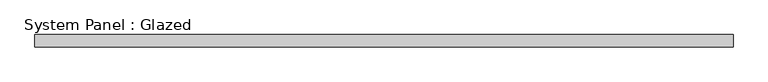
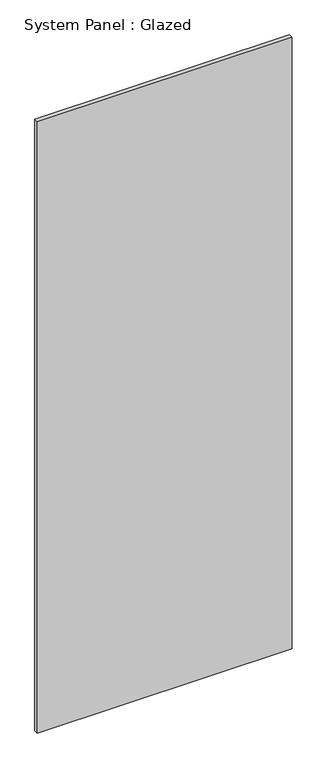
"""IFC4 building model written with IfcOpenShell, lengths in millimetres: plate geometry, System Panel : Glazed."""

import ifcopenshell
import ifcopenshell.guid

model = None  # the IFC model being written
_history = None  # IfcOwnerHistory: only IFC2X3 demands one
_inside = {}  # id of a spatial element -> (the spatial element, [elements in it])
_under = {}  # id of a project, library or spatial element -> (it, [spatial elements below it])
_declared = {}  # id of a project -> (the project, [libraries it declares])
_typed = {}  # id of a type object -> (the type object, [elements of that type])
_made_of = {}  # id of a material, layer set ... -> (it, [elements and type objects made of it])


def new_model(schema):
    """Start an empty IFC model of exactly this schema.

    Asked for "IFC4X3", IfcOpenShell would pick the latest addendum, in which some entities
    have other attributes; the version numbers below select the first issue.
    IFC2X3 requires an IfcOwnerHistory on every rooted entity: one is made here for all.
    """
    global model, _history
    if schema == "IFC4X3":
        model = ifcopenshell.file(schema_version=(4, 3, 0, 0))
    else:
        model = ifcopenshell.file(schema=schema)
    _inside.clear()
    _under.clear()
    _declared.clear()
    _typed.clear()
    _made_of.clear()
    _history = None
    if model.schema == "IFC2X3":
        org = make("IfcOrganization", Name="unknown")
        user = make(
            "IfcPersonAndOrganization",
            ThePerson=make("IfcPerson", FamilyName="unknown"),
            TheOrganization=org,
        )
        app = make(
            "IfcApplication",
            ApplicationDeveloper=org,
            Version="unknown",
            ApplicationFullName="unknown",
            ApplicationIdentifier="unknown",
        )
        _history = make(
            "IfcOwnerHistory",
            OwningUser=user,
            OwningApplication=app,
            ChangeAction="ADDED",
            CreationDate=0,
        )
    return model


def make(cls, **values):
    """One entity of the class cls with the attributes given. An attribute that is None is left unset."""
    return model.create_entity(
        cls, **{name: value for name, value in values.items() if value is not None}
    )


def rooted(cls, **values):
    """An entity with a GlobalId (a new one), such as an element, a storey or a relation."""
    return make(cls, GlobalId=ifcopenshell.guid.new(), OwnerHistory=_history, **values)


def si_unit(unit_type, name, prefix=None):
    """IfcSIUnit, for example si_unit("LENGTHUNIT", "METRE", prefix="MILLI")."""
    return make("IfcSIUnit", UnitType=unit_type, Prefix=prefix, Name=name)


def assignment(units):
    """IfcUnitAssignment: the units of a project."""
    return None if units is None else make("IfcUnitAssignment", Units=units)


def point(xyz):
    """IfcCartesianPoint."""
    return None if xyz is None else make("IfcCartesianPoint", Coordinates=xyz)


def direction(xyz):
    """IfcDirection."""
    return None if xyz is None else make("IfcDirection", DirectionRatios=xyz)


def frame(location, z_axis=None, x_axis=None):
    """IfcAxis2Placement3D, a coordinate frame: its origin and axes. An axis left out is left unset."""
    return make(
        "IfcAxis2Placement3D",
        Location=point(location),
        Axis=direction(z_axis),
        RefDirection=direction(x_axis),
    )


def origin():
    """The frame at (0, 0, 0) with its axes left unset."""
    return frame((0.0, 0.0, 0.0))


def origin_with_axes():
    """The frame at (0, 0, 0) with the z axis (0, 0, 1) and the x axis (1, 0, 0) written out."""
    return frame((0.0, 0.0, 0.0), z_axis=(0.0, 0.0, 1.0), x_axis=(1.0, 0.0, 0.0))


def place(relative_to, where):
    """IfcLocalPlacement: puts the frame where relative to a parent placement (None: the world)."""
    return make(
        "IfcLocalPlacement", PlacementRelTo=relative_to, RelativePlacement=where
    )


def context(
    kind, dimensions, precision=None, world=None, true_north=None, identifier=None
):
    """IfcGeometricRepresentationContext, for example the 3D "Model" context."""
    return make(
        "IfcGeometricRepresentationContext",
        ContextIdentifier=identifier,
        ContextType=kind,
        CoordinateSpaceDimension=dimensions,
        Precision=precision,
        WorldCoordinateSystem=world,
        TrueNorth=true_north,
    )


def project(units=None, contexts=None):
    """IfcProject with its units and contexts."""
    return rooted(
        "IfcProject",
        Name="project",
        RepresentationContexts=contexts,
        UnitsInContext=assignment(units),
    )


def spatial(cls, under=None, at=None, **own):
    """A site, building, storey or space (cls), placed at a placement, below another one or the project."""
    s = rooted(cls, ObjectPlacement=at, **own)
    if under is not None:
        _under.setdefault(under.id(), (under, []))[1].append(s)
    return s


def polyline(points):
    """IfcPolyline through the points."""
    return make("IfcPolyline", Points=[point(p) for p in points])


def outline(outer, holes=None, kind="AREA"):
    """IfcArbitraryClosedProfileDef: a profile drawn as a closed curve; with holes, ...WithVoids."""
    if holes is None:
        return make("IfcArbitraryClosedProfileDef", ProfileType=kind, OuterCurve=outer)
    return make(
        "IfcArbitraryProfileDefWithVoids",
        ProfileType=kind,
        OuterCurve=outer,
        InnerCurves=holes,
    )


def extrude(swept, where, along, depth):
    """IfcExtrudedAreaSolid: the profile swept, set in the frame where, extruded along a direction by depth."""
    return make(
        "IfcExtrudedAreaSolid",
        SweptArea=swept,
        Position=where,
        ExtrudedDirection=direction(along),
        Depth=depth,
    )


def shape(context_of_items, identifier, shape_type, items):
    """IfcShapeRepresentation: the items that make up one representation, for example the "Body"."""
    return make(
        "IfcShapeRepresentation",
        ContextOfItems=context_of_items,
        RepresentationIdentifier=identifier,
        RepresentationType=shape_type,
        Items=items,
    )


def source(mapping_origin, context_of_items, identifier, shape_type, items):
    """IfcRepresentationMap: a shape defined once, which mapped items show again and again."""
    return make(
        "IfcRepresentationMap",
        MappingOrigin=mapping_origin,
        MappedRepresentation=shape(context_of_items, identifier, shape_type, items),
    )


def transform(
    local_origin,
    x_axis=None,
    y_axis=None,
    z_axis=None,
    scale=None,
    scale2=None,
    scale3=None,
    uniform=True,
):
    """IfcCartesianTransformationOperator3D, or its non-uniform kind. x_axis, y_axis, z_axis: its Axis1, 2, 3."""
    if uniform:
        return make(
            "IfcCartesianTransformationOperator3D",
            Axis1=direction(x_axis),
            Axis2=direction(y_axis),
            LocalOrigin=point(local_origin),
            Scale=scale,
            Axis3=direction(z_axis),
        )
    return make(
        "IfcCartesianTransformationOperator3DnonUniform",
        Axis1=direction(x_axis),
        Axis2=direction(y_axis),
        LocalOrigin=point(local_origin),
        Scale=scale,
        Axis3=direction(z_axis),
        Scale2=scale2,
        Scale3=scale3,
    )


def mapped(mapping_source, mapping_target):
    """IfcMappedItem: shows the shape of a source again, moved by a transform."""
    return make(
        "IfcMappedItem", MappingSource=mapping_source, MappingTarget=mapping_target
    )


def made_of(thing, what):
    """Note that an element or type object is made of a material, layer set ...; save() writes the relation."""
    if what is not None:
        _made_of.setdefault(what.id(), (what, []))[1].append(thing)
    return thing


def element(
    cls,
    number,
    at=None,
    inside=None,
    cuts=None,
    type_object=None,
    material=None,
    context=None,
    identifier="Body",
    shape_type=None,
    held_by="IfcProductDefinitionShape",
    body=None,
    shapes=None,
    **own,
):
    """One element of the class cls, such as IfcWall. Its Tag is "e" and its number.

    at: its placement. inside: the storey or other place that contains it. cuts: it is an
    opening in that element (IfcRelVoidsElement). A single representation is given by context,
    identifier, shape_type and body (its items); several are given by shapes. held_by: the class
    of the entity that holds the representations. save() writes the other relations.
    """
    e = rooted(cls, Tag="e%d" % number, ObjectPlacement=at, **own)
    if body is not None:
        shapes = [shape(context, identifier, shape_type, body)]
    if shapes is not None:
        e.Representation = make(held_by, Representations=shapes)
    if inside is not None:
        _inside.setdefault(inside.id(), (inside, []))[1].append(e)
    if cuts is not None:
        rooted(
            "IfcRelVoidsElement", RelatingBuildingElement=cuts, RelatedOpeningElement=e
        )
    if type_object is not None:
        _typed.setdefault(type_object.id(), (type_object, []))[1].append(e)
    return made_of(e, material)


def aggregate(whole, parts):
    """IfcRelAggregates: a whole, such as a stair, and the parts it consists of."""
    return rooted("IfcRelAggregates", RelatingObject=whole, RelatedObjects=parts)


def save(model, path):
    """Write the relations noted so far, then the file.

    IfcRelAggregates (storeys below a building ...), IfcRelContainedInSpatialStructure (elements
    in a storey), IfcRelDefinesByType, IfcRelAssociatesMaterial and IfcRelDeclares: one each for
    every whole, place, type object, material and project.
    """
    for whole, parts in _under.values():
        aggregate(whole, parts)
    for where, things in _inside.values():
        rooted(
            "IfcRelContainedInSpatialStructure",
            RelatedElements=things,
            RelatingStructure=where,
        )
    for kind, things in _typed.values():
        rooted("IfcRelDefinesByType", RelatedObjects=things, RelatingType=kind)
    for what, things in _made_of.values():
        rooted("IfcRelAssociatesMaterial", RelatedObjects=things, RelatingMaterial=what)
    for by, libraries in _declared.values():
        rooted("IfcRelDeclares", RelatingContext=by, RelatedDefinitions=libraries)
    model.write(path)


def system_panel_glazed_b372b0c3(model_context):
    return source(origin(), model_context, "Body", "SweptSolid", [
        extrude(outline(polyline([(721.1645429, 19.05), (-721.1645429, 19.05), (-721.1645429, 44.45), (721.1645429, 44.45), (721.1645429, 19.05)])), origin_with_axes(), (0.0, 0.0, 1.0), 3657.6),
    ])


if __name__ == "__main__":
    model = new_model("IFC4")
    model_context = context("Model", 3, world=origin())
    ifc_project = project(units=[si_unit("LENGTHUNIT", "METRE", prefix="MILLI")], contexts=[model_context])
    site = spatial("IfcSite", under=ifc_project)
    building = spatial("IfcBuilding", under=site)
    placement = place(None, origin())
    system_panel_glazed_shape = system_panel_glazed_b372b0c3(model_context)
    element("IfcPlate", 1, ObjectType="System Panel : Glazed", at=placement, inside=building, context=model_context, shape_type="MappedRepresentation", body=[
        mapped(system_panel_glazed_shape, transform((0.0, 0.0, 0.0), x_axis=(1.0, 0.0, 0.0), y_axis=(0.0, 1.0, 0.0), z_axis=(0.0, 0.0, 1.0))),
    ])
    save(model, "model.ifc")
